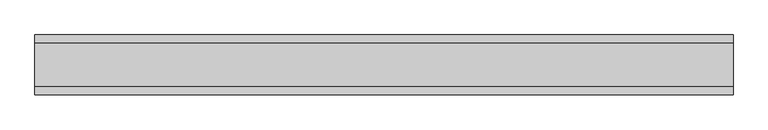
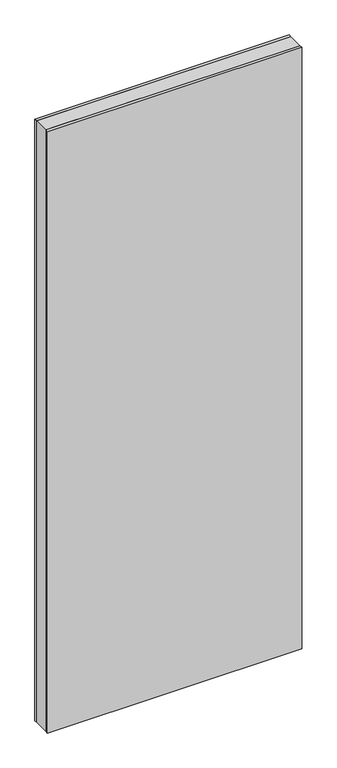
"""IFC4 building model written with IfcOpenShell, lengths in millimetres: plate geometry."""

from ifc_helpers import new_model, si_unit, origin, origin_with_axes, place, context, project, spatial, polyline, outline, extrude, source, transform, mapped, element, save


def plate_eaa06f72(model_context):
    return source(origin(), model_context, "Body", "SweptSolid", [
        extrude(outline(polyline([(584.75, 36.0), (584.75, -36.0), (-584.75, -36.0), (-584.75, 36.0), (584.75, 36.0)])), origin_with_axes(), (0.0, 0.0, 1.0), 2925.7),
        extrude(outline(polyline([(584.75, 50.0), (584.75, 36.0), (-584.75, 36.0), (-584.75, 50.0), (584.75, 50.0)])), origin_with_axes(), (0.0, 0.0, 1.0), 2925.7),
        extrude(outline(polyline([(584.75, -36.0), (584.75, -50.0), (-584.75, -50.0), (-584.75, -36.0), (584.75, -36.0)])), origin_with_axes(), (0.0, 0.0, 1.0), 2925.7),
    ])


if __name__ == "__main__":
    model = new_model("IFC4")
    model_context = context("Model", 3, world=origin())
    ifc_project = project(units=[si_unit("LENGTHUNIT", "METRE", prefix="MILLI")], contexts=[model_context])
    site = spatial("IfcSite", under=ifc_project)
    building = spatial("IfcBuilding", under=site)
    placement = place(None, origin())
    plate_shape = plate_eaa06f72(model_context)
    element("IfcPlate", 1, at=placement, inside=building, context=model_context, shape_type="MappedRepresentation", body=[
        mapped(plate_shape, transform((0.0, 0.0, 0.0), x_axis=(1.0, 0.0, 0.0), y_axis=(0.0, 1.0, 0.0), z_axis=(0.0, 0.0, 1.0))),
    ])
    save(model, "model.ifc")
